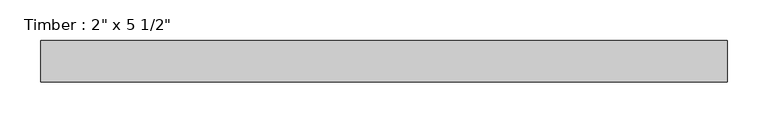
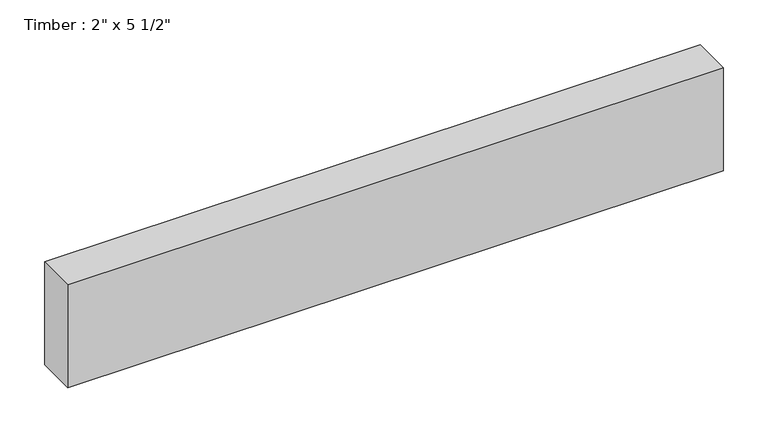
"""IFC4 building model written with IfcOpenShell, lengths in millimetres: beam geometry."""

from ifc_helpers import new_model, si_unit, frame, origin, place, context, project, spatial, polyline, outline, extrude, source, transform, mapped, element, save


def beam_fc28274b(model_context):
    return source(origin(), model_context, "Body", "SweptSolid", [
        extrude(outline(polyline([(420.4868819, 25.4), (420.4868819, -25.4), (-420.4868819, -25.4), (-420.4868819, 25.4), (420.4868819, 25.4)])), frame((0.0, 0.0, -69.85), z_axis=(0.0, 0.0, 1.0), x_axis=(1.0, 0.0, 0.0)), (0.0, 0.0, 1.0), 139.7),
    ])


if __name__ == "__main__":
    model = new_model("IFC4")
    model_context = context("Model", 3, world=origin())
    ifc_project = project(units=[si_unit("LENGTHUNIT", "METRE", prefix="MILLI")], contexts=[model_context])
    site = spatial("IfcSite", under=ifc_project)
    building = spatial("IfcBuilding", under=site)
    placement = place(None, origin())
    beam_shape = beam_fc28274b(model_context)
    element("IfcBeam", 1, ObjectType="Timber : 2\" x 5 1/2\"", at=placement, inside=building, context=model_context, shape_type="MappedRepresentation", body=[
        mapped(beam_shape, transform((0.0, 0.0, 0.0), x_axis=(1.0, 0.0, 0.0), y_axis=(0.0, 1.0, 0.0), z_axis=(0.0, 0.0, 1.0))),
    ])
    save(model, "model.ifc")
